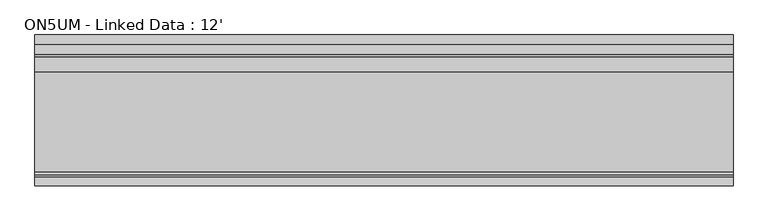
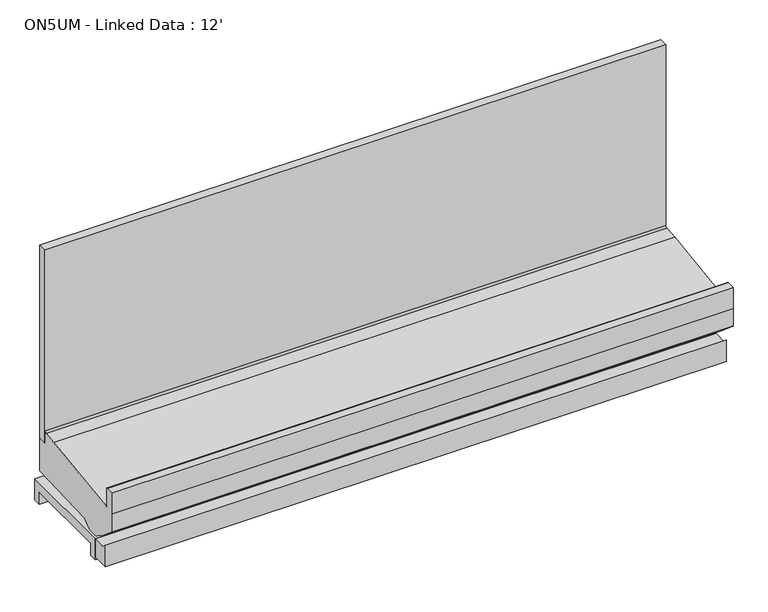
"""IFC4 building model written with IfcOpenShell, lengths in millimetres: proxy geometry, ON5UM - Linked Data : 12'."""

from ifc_helpers import new_model, si_unit, frame, origin, place, context, project, spatial, polyline, circle_curve, outline, extrude, source, transform, mapped, element, save
from ifc_brep_helpers import plane_surface, cylinder_surface, revolved_surface, advanced_brep


def on5um_linked_data_12_2553a582(model_context):
    return source(origin(), model_context, "Body", "SolidModel", [
        advanced_brep(
        [(0.0, -1018.0355073, 16.9113003), (0.0, -1120.2374519, 16.9113003), (0.0, -1120.2374519, 153.0862041), (0.0, -1092.9329421, 130.175), (0.0, -1018.0355073, 130.175), (3657.6, -1018.0355073, 16.9113003), (3657.6, -1018.0355073, 130.175), (3657.6, -1092.9329421, 130.175), (3657.6, -1120.2374519, 153.0862041), (3657.6, -1120.2374519, 16.9113003), (3526.4105208, -1018.0355073, 16.9113003), (3526.4105208, -1018.0355073, 121.311784), (3426.8394792, -1018.0355073, 121.311784), (3426.8394792, -1018.0355073, 16.9113003), (1870.4031896, -1018.0355073, 16.9113003), (1870.4031896, -1018.0355073, 121.311784), (1787.1968104, -1018.0355073, 121.311784), (1787.1968104, -1018.0355073, 16.9113003)],
        [
            (0, 1),
            (1, 2),
            (2, 3),
            (3, 4),
            (4, 0),
            (5, 6),
            (6, 7),
            (7, 8),
            (8, 9),
            (9, 5),
            (4, 6),
            (5, 10),
            (10, 11),
            (11, 12),
            (12, 13),
            (13, 14),
            (14, 15),
            (15, 16),
            (16, 17),
            (17, 0),
            (3, 7),
            (17, 14, circle_curve(frame((1828.8, -988.8839273, 16.9113003), z_axis=(0.0, 0.0, 1.0), x_axis=(1.0, 0.0, 0.0)), 50.8)),
            (13, 10, circle_curve(frame((3476.625, -1007.9339273, 16.9113003), z_axis=(0.0, 0.0, 1.0), x_axis=(1.0, 0.0, 0.0)), 50.8)),
            (9, 1),
            (15, 16, circle_curve(frame((1828.8, -988.8839273, 121.311784), z_axis=(0.0, 0.0, -1.0), x_axis=(1.0, 0.0, 0.0)), 50.8)),
            (8, 2),
            (11, 12, circle_curve(frame((3476.625, -1007.9339273, 121.311784), z_axis=(0.0, 0.0, -1.0), x_axis=(1.0, 0.0, 0.0)), 50.8)),
        ],
        [
            plane_surface(frame((0.0, -1018.0355073, 130.175), z_axis=(-1.0, 0.0, 0.0), x_axis=(0.0, 0.0, -1.0))),
            plane_surface(frame((3657.6, -1018.0355073, 130.175), z_axis=(1.0, 0.0, 0.0), x_axis=(0.0, 0.0, 1.0))),
            plane_surface(frame((3657.6, -1018.0355073, 16.9113003), z_axis=(0.0, 1.0, 0.0), x_axis=(-1.0, 0.0, 0.0))),
            plane_surface(frame((3657.6, -1018.0355073, 130.175), z_axis=(0.0, 0.0, 1.0), x_axis=(-1.0, 0.0, 0.0))),
            plane_surface(frame((3657.6, -1120.2374519, 16.9113003), z_axis=(0.0, 0.0, -1.0), x_axis=(-1.0, 0.0, 0.0))),
            plane_surface(frame((1879.6, -988.8839273, 121.311784), z_axis=(0.0, 0.0, -1.0), x_axis=(0.0, 1.0, 0.0))),
            revolved_surface(polyline([(1879.6, -988.8839273, 121.311784), (1879.6, -988.8839273, 16.9113003)]), (1828.8, -988.8839273, 0.0), (0.0, 0.0, 1.0)),
            plane_surface(frame((3657.6, -1120.2374519, 153.0862041), z_axis=(0.0, -1.0, 0.0), x_axis=(-1.0, 0.0, 0.0))),
            plane_surface(frame((3657.6, -1092.9329421, 130.175), z_axis=(0.0, 0.6427876096870794, 0.766044443118525), x_axis=(-1.0, 0.0, 0.0))),
            plane_surface(frame((3527.425, -1007.9339273, 121.311784), z_axis=(0.0, 0.0, -1.0), x_axis=(0.0, 1.0, 0.0))),
            revolved_surface(polyline([(3527.425, -1007.9339273, 121.311784), (3527.425, -1007.9339273, 16.9113003)]), (3476.625, -1007.9339273, 0.0), (0.0, 0.0, 1.0)),
        ],
        [
            (0, [[1, 2, 3, 4, 5]]),
            (1, [[6, 7, 8, 9, 10]]),
            (2, [[-5, 11, -6, 12, 13, 14, 15, 16, 17, 18, 19, 20]]),
            (3, [[-4, 21, -7, -11]]),
            (4, [[-1, -20, 22, -16, 23, -12, -10, 24]]),
            (5, [[25, -18]]),
            (6, [[-25, -17, -22, -19]]),
            (7, [[-2, -24, -9, 26]]),
            (8, [[-3, -26, -8, -21]]),
            (9, [[27, -14]]),
            (10, [[-27, -13, -23, -15]]),
        ],
    ),
        advanced_brep(
        [(0.0, -401.5089273, 130.175), (0.0, -401.5089273, 0.0), (0.0, -446.7209273, 0.0), (0.0, -446.7209273, 74.8810382), (0.0, -972.7046625, 74.8810382), (0.0, -972.7046625, 0.0), (0.0, -1018.0355073, 0.0), (0.0, -1018.0355073, 130.175), (3657.6, -401.5089273, 130.175), (3657.6, -1018.0355073, 130.175), (3657.6, -1018.0355073, 0.0), (3657.6, -972.7046625, 0.0), (3657.6, -972.7046625, 74.8810382), (3657.6, -446.7209273, 74.8810382), (3657.6, -446.7209273, 0.0), (3657.6, -401.5089273, 0.0), (1787.1968104, -1018.0355073, 0.0), (1787.1968104, -1018.0355073, 121.311784), (1870.4031896, -1018.0355073, 121.311784), (1870.4031896, -1018.0355073, 0.0), (3426.8394792, -1018.0355073, 0.0), (3426.8394792, -1018.0355073, 121.311784), (3526.4105208, -1018.0355073, 121.311784), (3526.4105208, -1018.0355073, 0.0), (1780.6453388, -972.7046625, 0.0), (1778.0, -988.8839273, 0.0), (3527.425, -1007.9339273, 0.0), (3513.2247118, -972.7046625, 0.0), (1879.6, -988.8839273, 0.0), (1876.9546612, -972.7046625, 0.0), (3440.0252882, -972.7046625, 0.0), (3425.825, -1007.9339273, 0.0), (1780.6453388, -972.7046625, 74.8810382), (3513.2247118, -972.7046625, 74.8810382), (1876.9546612, -972.7046625, 74.8810382), (3440.0252882, -972.7046625, 74.8810382), (1778.0, -988.8839273, 121.311784), (1879.6, -988.8839273, 121.311784), (3425.825, -1007.9339273, 121.311784), (3527.425, -1007.9339273, 121.311784)],
        [
            (0, 1),
            (1, 2),
            (2, 3),
            (3, 4),
            (4, 5),
            (5, 6),
            (6, 7),
            (7, 0),
            (8, 9),
            (9, 10),
            (10, 11),
            (11, 12),
            (12, 13),
            (13, 14),
            (14, 15),
            (15, 8),
            (7, 9),
            (8, 0),
            (6, 16),
            (16, 17),
            (17, 18),
            (18, 19),
            (19, 20),
            (20, 21),
            (21, 22),
            (22, 23),
            (23, 10),
            (5, 24),
            (24, 25, circle_curve(frame((1828.8, -988.8839273, 0.0), z_axis=(0.0, 0.0, 1.0), x_axis=(1.0, 0.0, 0.0)), 50.8)),
            (25, 16, circle_curve(frame((1828.8, -988.8839273, 0.0), z_axis=(0.0, 0.0, 1.0), x_axis=(1.0, 0.0, 0.0)), 50.8)),
            (23, 26, circle_curve(frame((3476.625, -1007.9339273, 0.0), z_axis=(0.0, 0.0, 1.0), x_axis=(1.0, 0.0, 0.0)), 50.8)),
            (26, 27, circle_curve(frame((3476.625, -1007.9339273, 0.0), z_axis=(0.0, 0.0, 1.0), x_axis=(1.0, 0.0, 0.0)), 50.8)),
            (27, 11),
            (19, 28, circle_curve(frame((1828.8, -988.8839273, 0.0), z_axis=(0.0, 0.0, 1.0), x_axis=(1.0, 0.0, 0.0)), 50.8)),
            (28, 29, circle_curve(frame((1828.8, -988.8839273, 0.0), z_axis=(0.0, 0.0, 1.0), x_axis=(1.0, 0.0, 0.0)), 50.8)),
            (29, 30),
            (30, 31, circle_curve(frame((3476.625, -1007.9339273, 0.0), z_axis=(0.0, 0.0, 1.0), x_axis=(1.0, 0.0, 0.0)), 50.8)),
            (31, 20, circle_curve(frame((3476.625, -1007.9339273, 0.0), z_axis=(0.0, 0.0, 1.0), x_axis=(1.0, 0.0, 0.0)), 50.8)),
            (4, 32),
            (32, 24),
            (27, 33),
            (33, 12),
            (29, 34),
            (34, 35),
            (35, 30),
            (3, 13),
            (33, 35, circle_curve(frame((3476.625, -1007.9339273, 74.8810382), z_axis=(0.0, 0.0, 1.0), x_axis=(1.0, 0.0, 0.0)), 50.8)),
            (34, 32, circle_curve(frame((1828.8, -988.8839273, 74.8810382), z_axis=(0.0, 0.0, 1.0), x_axis=(1.0, 0.0, 0.0)), 50.8)),
            (2, 14),
            (1, 15),
            (36, 37, circle_curve(frame((1828.8, -988.8839273, 121.311784), z_axis=(0.0, 0.0, -1.0), x_axis=(1.0, 0.0, 0.0)), 50.8)),
            (37, 18, circle_curve(frame((1828.8, -988.8839273, 121.311784), z_axis=(0.0, 0.0, -1.0), x_axis=(1.0, 0.0, 0.0)), 50.8)),
            (17, 36, circle_curve(frame((1828.8, -988.8839273, 121.311784), z_axis=(0.0, 0.0, -1.0), x_axis=(1.0, 0.0, 0.0)), 50.8)),
            (37, 28),
            (25, 36),
            (38, 39, circle_curve(frame((3476.625, -1007.9339273, 121.311784), z_axis=(0.0, 0.0, -1.0), x_axis=(1.0, 0.0, 0.0)), 50.8)),
            (39, 22, circle_curve(frame((3476.625, -1007.9339273, 121.311784), z_axis=(0.0, 0.0, -1.0), x_axis=(1.0, 0.0, 0.0)), 50.8)),
            (21, 38, circle_curve(frame((3476.625, -1007.9339273, 121.311784), z_axis=(0.0, 0.0, -1.0), x_axis=(1.0, 0.0, 0.0)), 50.8)),
            (39, 26),
            (31, 38),
        ],
        [
            plane_surface(frame((0.0, -1205.8783654, 130.175), z_axis=(-1.0, 0.0, 0.0), x_axis=(0.0, 1.0, 0.0))),
            plane_surface(frame((3657.6, -1205.8783654, 130.175), z_axis=(1.0, 0.0, 0.0), x_axis=(0.0, -1.0, 0.0))),
            plane_surface(frame((3657.6, -401.5089273, 130.175), z_axis=(0.0, 0.0, 1.0), x_axis=(-1.0, 0.0, 0.0))),
            plane_surface(frame((3657.6, -1018.0355073, 130.175), z_axis=(0.0, -1.0, 0.0), x_axis=(-1.0, 0.0, 0.0))),
            plane_surface(frame((3657.6, -1018.0355073, 0.0), z_axis=(0.0, 0.0, -1.0), x_axis=(-1.0, 0.0, 0.0))),
            plane_surface(frame((3657.6, -972.7046625, 0.0), z_axis=(0.0, 1.0, 0.0), x_axis=(-1.0, 0.0, 0.0))),
            plane_surface(frame((3657.6, -972.7046625, 74.8810382), z_axis=(0.0, 0.0, -1.0), x_axis=(-1.0, 0.0, 0.0))),
            plane_surface(frame((3657.6, -446.7209273, 74.8810382), z_axis=(0.0, -1.0, 0.0), x_axis=(-1.0, 0.0, 0.0))),
            plane_surface(frame((3657.6, -446.7209273, 0.0), z_axis=(0.0, 0.0, -1.0), x_axis=(-1.0, 0.0, 0.0))),
            plane_surface(frame((3657.6, -401.5089273, 0.0), z_axis=(0.0, 1.0, 0.0), x_axis=(-1.0, 0.0, 0.0))),
            plane_surface(frame((1879.6, -988.8839273, 121.311784), z_axis=(0.0, 0.0, -1.0), x_axis=(0.0, 1.0, 0.0))),
            revolved_surface(polyline([(1879.6, -988.8839273, 121.311784), (1879.6, -988.8839273, 0.0)]), (1828.8, -988.8839273, 0.0), (0.0, 0.0, 1.0)),
            plane_surface(frame((3527.425, -1007.9339273, 121.311784), z_axis=(0.0, 0.0, -1.0), x_axis=(0.0, 1.0, 0.0))),
            revolved_surface(polyline([(3527.425, -1007.9339273, 121.311784), (3527.425, -1007.9339273, 0.0)]), (3476.625, -1007.9339273, 0.0), (0.0, 0.0, 1.0)),
        ],
        [
            (0, [[1, 2, 3, 4, 5, 6, 7, 8]]),
            (1, [[9, 10, 11, 12, 13, 14, 15, 16]]),
            (2, [[-8, 17, -9, 18]]),
            (3, [[-7, 19, 20, 21, 22, 23, 24, 25, 26, 27, -10, -17]]),
            (4, [[-6, 28, 29, 30, -19]]),
            (4, [[-11, -27, 31, 32, 33]]),
            (4, [[34, 35, 36, 37, 38, -23]]),
            (5, [[-5, 39, 40, -28]]),
            (5, [[-12, -33, 41, 42]]),
            (5, [[43, 44, 45, -36]]),
            (6, [[-4, 46, -13, -42, 47, -44, 48, -39]]),
            (7, [[-3, 49, -14, -46]]),
            (8, [[-2, 50, -15, -49]]),
            (9, [[-1, -18, -16, -50]]),
            (10, [[51, 52, -21, 53]]),
            (11, [[54, -34, -22, -52]]),
            (11, [[55, -53, -20, -30]]),
            (11, [[-51, -55, -29, -40, -48, -43, -35, -54]]),
            (12, [[56, 57, -25, 58]]),
            (13, [[59, -31, -26, -57]]),
            (13, [[60, -58, -24, -38]]),
            (13, [[-56, -60, -37, -45, -47, -41, -32, -59]]),
        ],
    ),
        extrude(outline(polyline([(688.975, -552.9627532), (688.975, -932.4775263), (180.975, -932.4775263), (180.975, -552.9627532), (688.975, -552.9627532)])), frame((0.0, 0.0, 68.5310382), z_axis=(0.0, 0.0, 1.0), x_axis=(1.0, 0.0, 0.0)), (0.0, 0.0, 1.0), 6.35),
        extrude(outline(polyline([(3657.6, -452.3089273), (3657.6, -503.4770145), (0.0, -503.4770145), (0.0, -452.3089273), (3657.6, -452.3089273)])), frame((0.0, 0.0, 415.8429537), z_axis=(0.0, 0.0, 1.0), x_axis=(1.0, 0.0, 0.0)), (0.0, 0.0, 1.0), 1202.0524215),
        advanced_brep(
        [(0.0, -503.4770145, 415.8429537), (0.0, -452.3089273, 415.8429537), (0.0, -452.3089273, 210.4307819), (0.0, -911.2586215, 194.4039054), (0.0, -947.966692, 163.7297871), (0.0, -949.2046713, 163.6865559), (0.0, -961.9148015, 153.7615258), (0.0, -1022.2030531, 151.6562137), (0.0, -1035.5745571, 160.670453), (0.0, -1036.8125365, 160.6272219), (0.0, -1075.5167374, 188.6268069), (0.0, -1081.6882807, 188.4112919), (0.0, -1191.6695874, 280.6965658), (0.0, -1191.6695874, 390.4771975), (0.0, -1191.6695874, 522.6122796), (0.0, -1143.2268145, 522.6122796), (0.0, -1135.3020145, 514.6874796), (0.0, -1135.3020145, 401.5554537), (0.0, -1117.2993145, 401.5554537), (0.0, -594.8547877, 474.2138198), (0.0, -515.2911073, 481.9373825), (0.0, -503.4770145, 494.6064459), (3657.6, -503.4770145, 415.8429537), (3657.6, -503.4770145, 494.6064459), (3657.6, -515.2911073, 481.9373825), (3657.6, -594.8547877, 474.2138198), (3657.6, -1117.2993145, 401.5554537), (3657.6, -1135.3020145, 401.5554537), (3657.6, -1135.3020145, 514.6874796), (3657.6, -1143.2268145, 522.6122796), (3657.6, -1191.6695874, 522.6122796), (3657.6, -1191.6695874, 390.4771975), (3657.6, -1191.6695874, 280.6965658), (3657.6, -1081.6882807, 188.4112919), (3657.6, -1075.5167374, 188.6268069), (3657.6, -1036.8125365, 160.6272219), (3657.6, -1035.5745571, 160.670453), (3657.6, -1022.2030531, 151.6562137), (3657.6, -961.9148015, 153.7615258), (3657.6, -949.2046713, 163.6865559), (3657.6, -947.966692, 163.7297871), (3657.6, -911.2586215, 194.4039054), (3657.6, -452.3089273, 210.4307819), (3657.6, -452.3089273, 415.8429537)],
        [
            (0, 1),
            (1, 2),
            (2, 3),
            (3, 4),
            (4, 5),
            (5, 6),
            (6, 7),
            (7, 8),
            (8, 9),
            (9, 10),
            (10, 11),
            (11, 12),
            (12, 13),
            (13, 14),
            (14, 15),
            (15, 16, circle_curve(frame((0.0, -1143.2268145, 514.6874796), z_axis=(-1.0, 0.0, 0.0), x_axis=(0.0, 1.0, 0.0)), 7.9248)),
            (16, 17),
            (17, 18),
            (18, 19),
            (19, 20),
            (20, 21, circle_curve(frame((0.0, -516.1770145, 494.6064459), z_axis=(1.0, 0.0, 0.0), x_axis=(0.0, 1.0, 0.0)), 12.7)),
            (21, 0),
            (22, 23),
            (23, 24, circle_curve(frame((3657.6, -516.1770145, 494.6064459), z_axis=(-1.0, 0.0, 0.0), x_axis=(0.0, 1.0, 0.0)), 12.7)),
            (24, 25),
            (25, 26),
            (26, 27),
            (27, 28),
            (28, 29, circle_curve(frame((3657.6, -1143.2268145, 514.6874796), z_axis=(1.0, 0.0, 0.0), x_axis=(0.0, 1.0, 0.0)), 7.9248)),
            (29, 30),
            (30, 31),
            (31, 32),
            (32, 33),
            (33, 34),
            (34, 35),
            (35, 36),
            (36, 37),
            (37, 38),
            (38, 39),
            (39, 40),
            (40, 41),
            (41, 42),
            (42, 43),
            (43, 22),
            (42, 2),
            (1, 43),
            (0, 22),
            (21, 23),
            (20, 24),
            (19, 25),
            (18, 26),
            (17, 27),
            (16, 28),
            (15, 29),
            (14, 30),
            (13, 31),
            (12, 32),
            (11, 33),
            (10, 34),
            (9, 35),
            (8, 36),
            (7, 37),
            (6, 38),
            (5, 39),
            (4, 40),
            (3, 41),
        ],
        [
            plane_surface(frame((0.0, -503.4770145, 1116.8081953), z_axis=(-1.0, 0.0, 0.0), x_axis=(0.0, 0.0, -1.0))),
            plane_surface(frame((3657.6, -503.4770145, 1116.8081953), z_axis=(1.0, 0.0, 0.0), x_axis=(0.0, 0.0, 1.0))),
            plane_surface(frame((3657.6, -452.3089273, 210.4307819), z_axis=(0.0, 1.0, 0.0), x_axis=(-1.0, 0.0, 0.0))),
            plane_surface(frame((3657.6, -452.3089273, 415.8429537), z_axis=(0.0, 0.0, 1.0), x_axis=(-1.0, 0.0, 0.0))),
            plane_surface(frame((3657.6, -503.4770145, 415.8429537), z_axis=(0.0, 1.0, 0.0), x_axis=(-1.0, 0.0, 0.0))),
            revolved_surface(polyline([(0.0, -503.47701450000005, 494.6064459), (3657.6, -503.47701450000005, 494.6064459)]), (0.0, -516.1770145, 494.6064459), (-1.0, 0.0, 0.0)),
            plane_surface(frame((3657.6, -515.2911073, 481.9373825), z_axis=(0.0, -0.09661980044750265, 0.9953213622551688), x_axis=(-1.0, 0.0, 0.0))),
            plane_surface(frame((3657.6, -594.8547877, 474.2138198), z_axis=(0.0, -0.1377480894156595, 0.9904672957055853), x_axis=(-1.0, 0.0, 0.0))),
            plane_surface(frame((3657.6, -1117.2993145, 401.5554537), z_axis=(0.0, 0.0, 1.0), x_axis=(-1.0, 0.0, 0.0))),
            plane_surface(frame((3657.6, -1135.3020145, 401.5554537), z_axis=(0.0, 1.0, 0.0), x_axis=(-1.0, 0.0, 0.0))),
            cylinder_surface(frame((0.0, -1143.2268145, 514.6874796), z_axis=(1.0, 0.0, 0.0), x_axis=(0.0, 1.0, 0.0)), 7.9248),
            plane_surface(frame((3657.6, -1143.2268145, 522.6122796), z_axis=(0.0, 0.0, 1.0), x_axis=(-1.0, 0.0, 0.0))),
            plane_surface(frame((3657.6, -1191.6695874, 522.6122796), z_axis=(0.0, -1.0, 0.0), x_axis=(-1.0, 0.0, 0.0))),
            plane_surface(frame((3657.6, -1191.6695874, 390.4771975), z_axis=(0.0, -1.0, 0.0), x_axis=(-1.0, 0.0, 0.0))),
            plane_surface(frame((3657.6, -1191.6695874, 280.6965658), z_axis=(0.0, -0.6427876096870885, -0.7660444431185174), x_axis=(-1.0, 0.0, 0.0))),
            plane_surface(frame((3657.6, -1081.6882807, 188.4112919), z_axis=(0.0, 0.03489949670352723, -0.9993908270190599), x_axis=(-1.0, 0.0, 0.0))),
            plane_surface(frame((3657.6, -1075.5167374, 188.6268069), z_axis=(0.0, -0.5861307997256017, -0.810216443682197), x_axis=(-1.0, 0.0, 0.0))),
            plane_surface(frame((3657.6, -1036.8125365, 160.6272219), z_axis=(0.0, 0.03489949670146529, -0.999390827019132), x_axis=(-1.0, 0.0, 0.0))),
            plane_surface(frame((3657.6, -1035.5745571, 160.670453), z_axis=(0.0, -0.5589817440968015, -0.8291799622316606), x_axis=(-1.0, 0.0, 0.0))),
            plane_surface(frame((3657.6, -1022.2030531, 151.6562137), z_axis=(0.0, 0.03489949670245123, -0.9993908270190974), x_axis=(-1.0, 0.0, 0.0))),
            plane_surface(frame((3657.6, -961.9148015, 153.7615258), z_axis=(0.0, 0.6154607629252682, -0.7881675261639793), x_axis=(-1.0, 0.0, 0.0))),
            plane_surface(frame((3657.6, -949.2046713, 163.6865559), z_axis=(0.0, 0.03489949670032392, -0.9993908270191718), x_axis=(-1.0, 0.0, 0.0))),
            plane_surface(frame((3657.6, -947.966692, 163.7297871), z_axis=(0.0, 0.6412208566386186, -0.7673563794037528), x_axis=(-1.0, 0.0, 0.0))),
            plane_surface(frame((3657.6, -911.2586215, 194.4039054), z_axis=(0.0, 0.03489949670246395, -0.9993908270190971), x_axis=(-1.0, 0.0, 0.0))),
        ],
        [
            (0, [[1, 2, 3, 4, 5, 6, 7, 8, 9, 10, 11, 12, 13, 14, 15, 16, 17, 18, 19, 20, 21, 22]]),
            (1, [[23, 24, 25, 26, 27, 28, 29, 30, 31, 32, 33, 34, 35, 36, 37, 38, 39, 40, 41, 42, 43, 44]]),
            (2, [[-43, 45, -2, 46]]),
            (3, [[-44, -46, -1, 47]]),
            (4, [[-23, -47, -22, 48]]),
            (5, [[-24, -48, -21, 49]]),
            (6, [[-25, -49, -20, 50]]),
            (7, [[-26, -50, -19, 51]]),
            (8, [[-27, -51, -18, 52]]),
            (9, [[-28, -52, -17, 53]]),
            (10, [[-29, -53, -16, 54]]),
            (11, [[-30, -54, -15, 55]]),
            (12, [[-31, -55, -14, 56]]),
            (13, [[-32, -56, -13, 57]]),
            (14, [[-33, -57, -12, 58]]),
            (15, [[-34, -58, -11, 59]]),
            (16, [[-35, -59, -10, 60]]),
            (17, [[-36, -60, -9, 61]]),
            (18, [[-37, -61, -8, 62]]),
            (19, [[-38, -62, -7, 63]]),
            (20, [[-39, -63, -6, 64]]),
            (21, [[-40, -64, -5, 65]]),
            (22, [[-41, -65, -4, 66]]),
            (23, [[-42, -66, -3, -45]]),
        ],
    ),
    ])


if __name__ == "__main__":
    model = new_model("IFC4")
    model_context = context("Model", 3, world=origin())
    ifc_project = project(units=[si_unit("LENGTHUNIT", "METRE", prefix="MILLI")], contexts=[model_context])
    site = spatial("IfcSite", under=ifc_project)
    building = spatial("IfcBuilding", under=site)
    placement = place(None, origin())
    on5um_linked_data_12_shape = on5um_linked_data_12_2553a582(model_context)
    element("IfcBuildingElementProxy", 1, Name="ON5UM - Linked Data : 12'", ObjectType="ON5UM - Linked Data : 12'", at=placement, inside=building, context=model_context, shape_type="MappedRepresentation", body=[
        mapped(on5um_linked_data_12_shape, transform((0.0, 0.0, 0.0), x_axis=(1.0, 0.0, 0.0), y_axis=(0.0, 1.0, 0.0), z_axis=(0.0, 0.0, 1.0))),
    ])
    save(model, "model.ifc")
